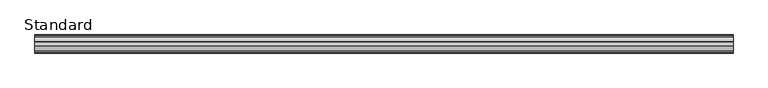
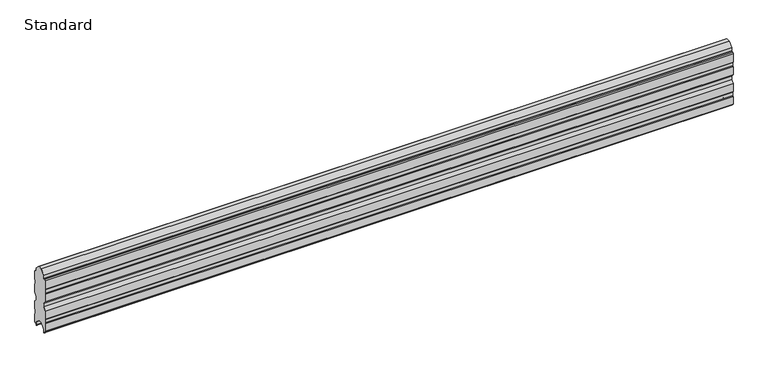
"""IFC4 building model written with IfcOpenShell, lengths in millimetres: plate geometry, Standard."""

from ifc_helpers import new_model, si_unit, point, frame, frame_2d, origin, place, context, project, spatial, polyline, circle_curve, trimmed, segment, composite_curve, outline, extrude, source, transform, mapped, element, save


def standard_6c0b3cc0(model_context):
    return source(origin(), model_context, "Body", "SweptSolid", [
        extrude(outline(composite_curve([segment(polyline([(39.0, 105.1000007), (39.0, 68.1000008), (37.800026, 64.6000021), (37.800026, 49.6000007), (39.000026, 46.0999918), (39.000026, 11.4535546), (34.6464725, 7.1000005), (29.750026, 7.1000005), (29.750026, 0.4500001)]), True, "CONTINUOUS"), segment(trimmed(circle_curve(frame_2d((29.3000259, 0.4500001)), 0.4500001), [point((29.750026, 0.4500001))], [point((28.8500259, 0.4500001))], False, "CARTESIAN"), True, "CONTINUOUS"), segment(polyline([(28.8500259, 0.4500001), (28.8500259, 14.2964387), (8.033272, 35.1131925), (-4.613175, 35.1131925), (-4.613175, 35.9131925), (-7.683272, 35.9131925), (-28.850026, 14.7464386), (-28.850026, 0.45)]), True, "CONTINUOUS"), segment(trimmed(circle_curve(frame_2d((-29.300026, 0.45)), 0.45), [point((-28.850026, 0.45))], [point((-29.750026, 0.45))], False, "CARTESIAN"), True, "CONTINUOUS"), segment(polyline([(-29.750026, 0.45), (-29.750026, 7.5529742), (-34.6494456, 7.5529742), (-39.000002, 11.90353), (-39.000002, 46.5500618), (-37.800026, 50.0500007), (-37.800026, 65.0500009), (-39.0, 68.5500009), (-39.0, 105.5500008), (-28.000002, 118.5499983), (-28.000002, 134.5500036), (-39.0, 147.5500013), (-39.0, 184.0500018), (-37.800073, 187.5499985), (-37.800073, 202.5500036), (-39.0, 206.0500002), (-39.0, 245.050003), (-34.7573564, 249.2926465), (-30.425002, 249.2926465)]), True, "CONTINUOUS"), segment(trimmed(circle_curve(frame_2d((-30.425002, 250.9176465)), 1.625), [point((-30.425002, 249.2926465))], [point((-28.800002, 250.9176465))], True, "CARTESIAN"), True, "CONTINUOUS"), segment(polyline([(-28.800002, 250.9176465), (-28.800002, 264.4926439), (-9.7010075, 283.5916395), (7.998993, 283.5916395), (7.998993, 282.7916395), (10.0510074, 282.7916395), (28.800002, 264.042645), (28.800002, 250.4676465)]), True, "CONTINUOUS"), segment(trimmed(circle_curve(frame_2d((30.425002, 250.4676465)), 1.625), [point((28.800002, 250.4676465))], [point((30.425002, 248.8426465))], True, "CARTESIAN"), True, "CONTINUOUS"), segment(polyline([(30.425002, 248.8426465), (34.7573565, 248.8426465), (39.0, 244.6000025), (39.0, 205.5999999), (37.800073, 202.1000068), (37.800073, 187.0999953), (39.0, 183.6000021), (39.0, 147.1000014), (28.000002, 134.1000036), (28.000002, 118.0999984), (39.0, 105.1000007)]), True, "CONTINUOUS")], self_intersect=False)), frame((-1498.85, 0.0, 0.0), z_axis=(1.0, 0.0, 0.0), x_axis=(0.0, 1.0, 0.0)), (0.0, 0.0, 1.0), 2997.7),
    ])


if __name__ == "__main__":
    model = new_model("IFC4")
    model_context = context("Model", 3, world=origin())
    ifc_project = project(units=[si_unit("LENGTHUNIT", "METRE", prefix="MILLI")], contexts=[model_context])
    site = spatial("IfcSite", under=ifc_project)
    building = spatial("IfcBuilding", under=site)
    placement = place(None, origin())
    standard_shape = standard_6c0b3cc0(model_context)
    element("IfcPlate", 1, ObjectType="Standard", at=placement, inside=building, context=model_context, shape_type="MappedRepresentation", body=[
        mapped(standard_shape, transform((0.0, 0.0, 0.0), x_axis=(1.0, 0.0, 0.0), y_axis=(0.0, 1.0, 0.0), z_axis=(0.0, 0.0, 1.0))),
    ])
    save(model, "model.ifc")
